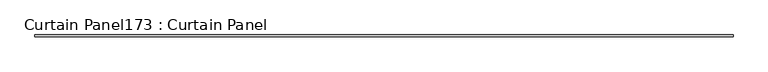
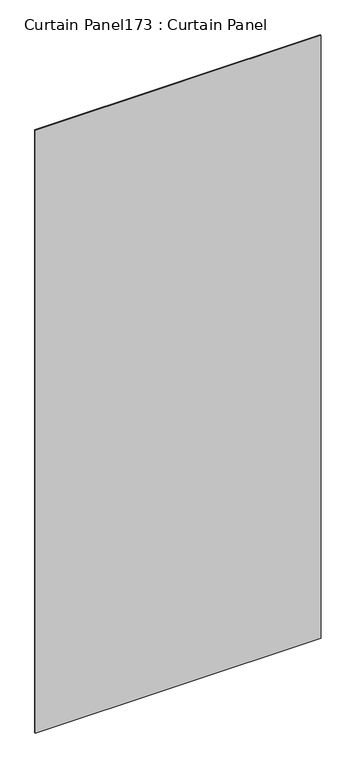
"""IFC4 building model written with IfcOpenShell, lengths in millimetres: plate geometry, Curtain Panel173 : Curtain Panel."""

from ifc_helpers import new_model, si_unit, frame, origin, place, context, project, spatial, polyline, outline, extrude, source, transform, mapped, element, save


def curtain_panel173_curtain_panel_1c3896f2(model_context):
    return source(origin(), model_context, "Body", "SweptSolid", [
        extrude(outline(polyline([(523250.6957972, 2657.4439437), (513769.8105279, 2657.4439437), (513769.8105279, 2682.8439437), (523250.6957972, 2682.8439437), (523250.6957972, 2657.4439437)])), frame((0.0, 0.0, 4959.7989371), z_axis=(0.0, 0.0, 1.0), x_axis=(1.0, 0.0, 0.0)), (0.0, 0.0, 1.0), 21137.0503921),
    ])


if __name__ == "__main__":
    model = new_model("IFC4")
    model_context = context("Model", 3, world=origin())
    ifc_project = project(units=[si_unit("LENGTHUNIT", "METRE", prefix="MILLI")], contexts=[model_context])
    site = spatial("IfcSite", under=ifc_project)
    building = spatial("IfcBuilding", under=site)
    placement = place(None, origin())
    curtain_panel173_curtain_panel_shape = curtain_panel173_curtain_panel_1c3896f2(model_context)
    element("IfcPlate", 1, ObjectType="Curtain Panel173 : Curtain Panel", at=placement, inside=building, context=model_context, shape_type="MappedRepresentation", body=[
        mapped(curtain_panel173_curtain_panel_shape, transform((0.0, 0.0, 0.0), x_axis=(1.0, 0.0, 0.0), y_axis=(0.0, 1.0, 0.0), z_axis=(0.0, 0.0, 1.0))),
    ])
    save(model, "model.ifc")
